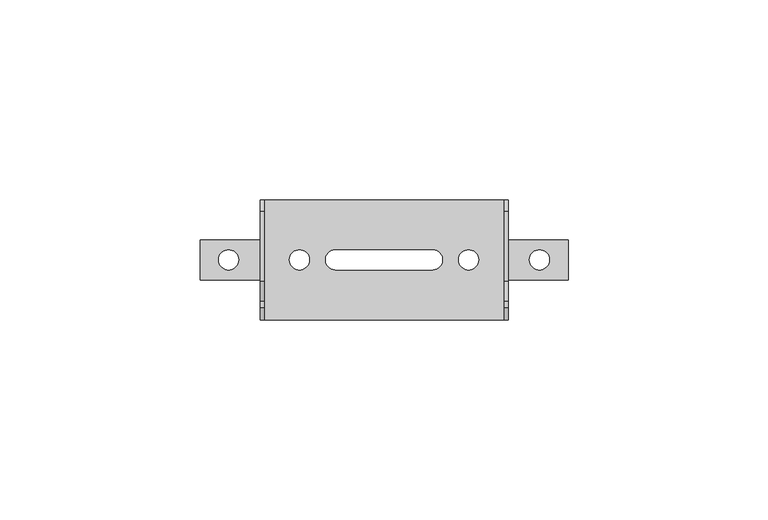
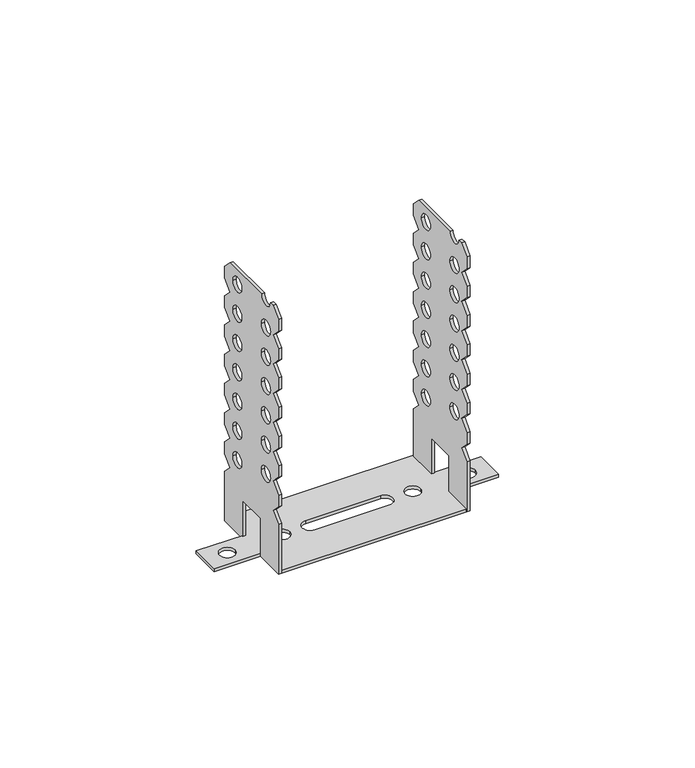
"""IFC4 building model written with IfcOpenShell, lengths in millimetres: proxy geometry."""

import ifcopenshell
import ifcopenshell.guid

model = None  # the IFC model being written
_history = None  # IfcOwnerHistory: only IFC2X3 demands one
_inside = {}  # id of a spatial element -> (the spatial element, [elements in it])
_under = {}  # id of a project, library or spatial element -> (it, [spatial elements below it])
_declared = {}  # id of a project -> (the project, [libraries it declares])
_typed = {}  # id of a type object -> (the type object, [elements of that type])
_made_of = {}  # id of a material, layer set ... -> (it, [elements and type objects made of it])


def new_model(schema):
    """Start an empty IFC model of exactly this schema.

    Asked for "IFC4X3", IfcOpenShell would pick the latest addendum, in which some entities
    have other attributes; the version numbers below select the first issue.
    IFC2X3 requires an IfcOwnerHistory on every rooted entity: one is made here for all.
    """
    global model, _history
    if schema == "IFC4X3":
        model = ifcopenshell.file(schema_version=(4, 3, 0, 0))
    else:
        model = ifcopenshell.file(schema=schema)
    _inside.clear()
    _under.clear()
    _declared.clear()
    _typed.clear()
    _made_of.clear()
    _history = None
    if model.schema == "IFC2X3":
        org = make("IfcOrganization", Name="unknown")
        user = make(
            "IfcPersonAndOrganization",
            ThePerson=make("IfcPerson", FamilyName="unknown"),
            TheOrganization=org,
        )
        app = make(
            "IfcApplication",
            ApplicationDeveloper=org,
            Version="unknown",
            ApplicationFullName="unknown",
            ApplicationIdentifier="unknown",
        )
        _history = make(
            "IfcOwnerHistory",
            OwningUser=user,
            OwningApplication=app,
            ChangeAction="ADDED",
            CreationDate=0,
        )
    return model


def make(cls, **values):
    """One entity of the class cls with the attributes given. An attribute that is None is left unset."""
    return model.create_entity(
        cls, **{name: value for name, value in values.items() if value is not None}
    )


def rooted(cls, **values):
    """An entity with a GlobalId (a new one), such as an element, a storey or a relation."""
    return make(cls, GlobalId=ifcopenshell.guid.new(), OwnerHistory=_history, **values)


def si_unit(unit_type, name, prefix=None):
    """IfcSIUnit, for example si_unit("LENGTHUNIT", "METRE", prefix="MILLI")."""
    return make("IfcSIUnit", UnitType=unit_type, Prefix=prefix, Name=name)


def assignment(units):
    """IfcUnitAssignment: the units of a project."""
    return None if units is None else make("IfcUnitAssignment", Units=units)


def point(xyz):
    """IfcCartesianPoint."""
    return None if xyz is None else make("IfcCartesianPoint", Coordinates=xyz)


def direction(xyz):
    """IfcDirection."""
    return None if xyz is None else make("IfcDirection", DirectionRatios=xyz)


def frame(location, z_axis=None, x_axis=None):
    """IfcAxis2Placement3D, a coordinate frame: its origin and axes. An axis left out is left unset."""
    return make(
        "IfcAxis2Placement3D",
        Location=point(location),
        Axis=direction(z_axis),
        RefDirection=direction(x_axis),
    )


def frame_2d(location, x_axis=None):
    """IfcAxis2Placement2D, a coordinate frame in the plane: its origin and x axis."""
    return make(
        "IfcAxis2Placement2D", Location=point(location), RefDirection=direction(x_axis)
    )


def origin():
    """The frame at (0, 0, 0) with its axes left unset."""
    return frame((0.0, 0.0, 0.0))


def origin_with_axes():
    """The frame at (0, 0, 0) with the z axis (0, 0, 1) and the x axis (1, 0, 0) written out."""
    return frame((0.0, 0.0, 0.0), z_axis=(0.0, 0.0, 1.0), x_axis=(1.0, 0.0, 0.0))


def place(relative_to, where):
    """IfcLocalPlacement: puts the frame where relative to a parent placement (None: the world)."""
    return make(
        "IfcLocalPlacement", PlacementRelTo=relative_to, RelativePlacement=where
    )


def context(
    kind, dimensions, precision=None, world=None, true_north=None, identifier=None
):
    """IfcGeometricRepresentationContext, for example the 3D "Model" context."""
    return make(
        "IfcGeometricRepresentationContext",
        ContextIdentifier=identifier,
        ContextType=kind,
        CoordinateSpaceDimension=dimensions,
        Precision=precision,
        WorldCoordinateSystem=world,
        TrueNorth=true_north,
    )


def project(units=None, contexts=None):
    """IfcProject with its units and contexts."""
    return rooted(
        "IfcProject",
        Name="project",
        RepresentationContexts=contexts,
        UnitsInContext=assignment(units),
    )


def spatial(cls, under=None, at=None, **own):
    """A site, building, storey or space (cls), placed at a placement, below another one or the project."""
    s = rooted(cls, ObjectPlacement=at, **own)
    if under is not None:
        _under.setdefault(under.id(), (under, []))[1].append(s)
    return s


def polyline(points):
    """IfcPolyline through the points."""
    return make("IfcPolyline", Points=[point(p) for p in points])


def circle_curve(where, radius):
    """IfcCircle in the frame where."""
    return make("IfcCircle", Position=where, Radius=radius)


def trimmed(basis, trim1, trim2, sense, master):
    """IfcTrimmedCurve: the piece of a basis curve between two trims."""
    return make(
        "IfcTrimmedCurve",
        BasisCurve=basis,
        Trim1=trim1,
        Trim2=trim2,
        SenseAgreement=sense,
        MasterRepresentation=master,
    )


def segment(curve, same_sense, transition):
    """IfcCompositeCurveSegment."""
    return make(
        "IfcCompositeCurveSegment",
        Transition=transition,
        SameSense=same_sense,
        ParentCurve=curve,
    )


def composite_curve(segments, self_intersect=None):
    """IfcCompositeCurve: segments joined end to end."""
    return make("IfcCompositeCurve", Segments=segments, SelfIntersect=self_intersect)


def outline(outer, holes=None, kind="AREA"):
    """IfcArbitraryClosedProfileDef: a profile drawn as a closed curve; with holes, ...WithVoids."""
    if holes is None:
        return make("IfcArbitraryClosedProfileDef", ProfileType=kind, OuterCurve=outer)
    return make(
        "IfcArbitraryProfileDefWithVoids",
        ProfileType=kind,
        OuterCurve=outer,
        InnerCurves=holes,
    )


def extrude(swept, where, along, depth):
    """IfcExtrudedAreaSolid: the profile swept, set in the frame where, extruded along a direction by depth."""
    return make(
        "IfcExtrudedAreaSolid",
        SweptArea=swept,
        Position=where,
        ExtrudedDirection=direction(along),
        Depth=depth,
    )


def shape(context_of_items, identifier, shape_type, items):
    """IfcShapeRepresentation: the items that make up one representation, for example the "Body"."""
    return make(
        "IfcShapeRepresentation",
        ContextOfItems=context_of_items,
        RepresentationIdentifier=identifier,
        RepresentationType=shape_type,
        Items=items,
    )


def source(mapping_origin, context_of_items, identifier, shape_type, items):
    """IfcRepresentationMap: a shape defined once, which mapped items show again and again."""
    return make(
        "IfcRepresentationMap",
        MappingOrigin=mapping_origin,
        MappedRepresentation=shape(context_of_items, identifier, shape_type, items),
    )


def transform(
    local_origin,
    x_axis=None,
    y_axis=None,
    z_axis=None,
    scale=None,
    scale2=None,
    scale3=None,
    uniform=True,
):
    """IfcCartesianTransformationOperator3D, or its non-uniform kind. x_axis, y_axis, z_axis: its Axis1, 2, 3."""
    if uniform:
        return make(
            "IfcCartesianTransformationOperator3D",
            Axis1=direction(x_axis),
            Axis2=direction(y_axis),
            LocalOrigin=point(local_origin),
            Scale=scale,
            Axis3=direction(z_axis),
        )
    return make(
        "IfcCartesianTransformationOperator3DnonUniform",
        Axis1=direction(x_axis),
        Axis2=direction(y_axis),
        LocalOrigin=point(local_origin),
        Scale=scale,
        Axis3=direction(z_axis),
        Scale2=scale2,
        Scale3=scale3,
    )


def mapped(mapping_source, mapping_target):
    """IfcMappedItem: shows the shape of a source again, moved by a transform."""
    return make(
        "IfcMappedItem", MappingSource=mapping_source, MappingTarget=mapping_target
    )


def made_of(thing, what):
    """Note that an element or type object is made of a material, layer set ...; save() writes the relation."""
    if what is not None:
        _made_of.setdefault(what.id(), (what, []))[1].append(thing)
    return thing


def element(
    cls,
    number,
    at=None,
    inside=None,
    cuts=None,
    type_object=None,
    material=None,
    context=None,
    identifier="Body",
    shape_type=None,
    held_by="IfcProductDefinitionShape",
    body=None,
    shapes=None,
    **own,
):
    """One element of the class cls, such as IfcWall. Its Tag is "e" and its number.

    at: its placement. inside: the storey or other place that contains it. cuts: it is an
    opening in that element (IfcRelVoidsElement). A single representation is given by context,
    identifier, shape_type and body (its items); several are given by shapes. held_by: the class
    of the entity that holds the representations. save() writes the other relations.
    """
    e = rooted(cls, Tag="e%d" % number, ObjectPlacement=at, **own)
    if body is not None:
        shapes = [shape(context, identifier, shape_type, body)]
    if shapes is not None:
        e.Representation = make(held_by, Representations=shapes)
    if inside is not None:
        _inside.setdefault(inside.id(), (inside, []))[1].append(e)
    if cuts is not None:
        rooted(
            "IfcRelVoidsElement", RelatingBuildingElement=cuts, RelatedOpeningElement=e
        )
    if type_object is not None:
        _typed.setdefault(type_object.id(), (type_object, []))[1].append(e)
    return made_of(e, material)


def aggregate(whole, parts):
    """IfcRelAggregates: a whole, such as a stair, and the parts it consists of."""
    return rooted("IfcRelAggregates", RelatingObject=whole, RelatedObjects=parts)


def save(model, path):
    """Write the relations noted so far, then the file.

    IfcRelAggregates (storeys below a building ...), IfcRelContainedInSpatialStructure (elements
    in a storey), IfcRelDefinesByType, IfcRelAssociatesMaterial and IfcRelDeclares: one each for
    every whole, place, type object, material and project.
    """
    for whole, parts in _under.values():
        aggregate(whole, parts)
    for where, things in _inside.values():
        rooted(
            "IfcRelContainedInSpatialStructure",
            RelatedElements=things,
            RelatingStructure=where,
        )
    for kind, things in _typed.values():
        rooted("IfcRelDefinesByType", RelatedObjects=things, RelatingType=kind)
    for what, things in _made_of.values():
        rooted("IfcRelAssociatesMaterial", RelatedObjects=things, RelatingMaterial=what)
    for by, libraries in _declared.values():
        rooted("IfcRelDeclares", RelatingContext=by, RelatedDefinitions=libraries)
    model.write(path)


def generic_models_f118c592(model_context):
    return source(origin(), model_context, "Body", "SweptSolid", [
        extrude(outline(composite_curve([segment(polyline([(5.0, 0.0), (5.0, 13.0), (-5.0, 13.0), (-5.0, 0.0), (-15.0, 0.0), (-15.0, 17.0), (-12.0, 20.0), (-15.0, 23.0), (-15.0, 27.0), (-12.0, 30.0), (-15.0, 33.0), (-15.0, 37.0), (-12.0, 40.0), (-15.0, 43.0), (-15.0, 47.0), (-12.0, 50.0), (-15.0, 53.0), (-15.0, 57.0), (-12.0, 60.0), (-15.0, 63.0), (-15.0, 67.0), (-12.0, 70.0), (-15.0, 73.0), (-15.0, 77.0), (-12.0, 80.0), (-15.0, 83.0), (-15.0, 87.0), (-12.0, 90.0), (-10.5, 90.0)]), True, "CONTINUOUS"), segment(trimmed(circle_curve(frame_2d((-8.0, 90.0)), 2.5), [point((-10.5, 90.0))], [point((-5.5, 90.0))], True, "CARTESIAN"), True, "CONTINUOUS"), segment(polyline([(-5.5, 90.0), (12.0, 90.0), (15.0, 87.0), (15.0, 83.0), (12.0, 80.0), (15.0, 77.0), (15.0, 73.0), (12.0, 70.0), (15.0, 67.0), (15.0, 63.0), (12.0, 60.0), (15.0, 57.0), (15.0, 53.0), (12.0, 50.0), (15.0, 47.0), (15.0, 43.0), (12.0, 40.0), (15.0, 37.0), (15.0, 33.0), (12.0, 30.0), (15.0, 27.0), (15.0, 23.0), (12.0, 20.0), (15.0, 17.0), (15.0, 0.0), (5.0, 0.0)]), True, "CONTINUOUS")], self_intersect=False), holes=[composite_curve([segment(trimmed(circle_curve(frame_2d((-8.0, 70.0)), 2.5), [point((-10.5, 70.0))], [point((-5.5, 70.0))], True, "CARTESIAN"), True, "CONTINUOUS"), segment(trimmed(circle_curve(frame_2d((-8.0, 70.0)), 2.5), [point((-5.5, 70.0))], [point((-10.5, 70.0))], True, "CARTESIAN"), True, "CONTINUOUS")], self_intersect=False), composite_curve([segment(trimmed(circle_curve(frame_2d((8.0, 25.0)), 2.5), [point((10.5, 25.0))], [point((5.5, 25.0))], True, "CARTESIAN"), True, "CONTINUOUS"), segment(trimmed(circle_curve(frame_2d((8.0, 25.0)), 2.5), [point((5.5, 25.0))], [point((10.5, 25.0))], True, "CARTESIAN"), True, "CONTINUOUS")], self_intersect=False), composite_curve([segment(trimmed(circle_curve(frame_2d((-8.0, 30.0)), 2.5), [point((-10.5, 30.0))], [point((-5.5, 30.0))], True, "CARTESIAN"), True, "CONTINUOUS"), segment(trimmed(circle_curve(frame_2d((-8.0, 30.0)), 2.5), [point((-5.5, 30.0))], [point((-10.5, 30.0))], True, "CARTESIAN"), True, "CONTINUOUS")], self_intersect=False), composite_curve([segment(trimmed(circle_curve(frame_2d((8.0, 35.0)), 2.5), [point((10.5, 35.0))], [point((5.5, 35.0))], True, "CARTESIAN"), True, "CONTINUOUS"), segment(trimmed(circle_curve(frame_2d((8.0, 35.0)), 2.5), [point((5.5, 35.0))], [point((10.5, 35.0))], True, "CARTESIAN"), True, "CONTINUOUS")], self_intersect=False), composite_curve([segment(trimmed(circle_curve(frame_2d((-8.0, 40.0)), 2.5), [point((-10.5, 40.0))], [point((-5.5, 40.0))], True, "CARTESIAN"), True, "CONTINUOUS"), segment(trimmed(circle_curve(frame_2d((-8.0, 40.0)), 2.5), [point((-5.5, 40.0))], [point((-10.5, 40.0))], True, "CARTESIAN"), True, "CONTINUOUS")], self_intersect=False), composite_curve([segment(trimmed(circle_curve(frame_2d((8.0, 45.0)), 2.5), [point((10.5, 45.0))], [point((5.5, 45.0))], True, "CARTESIAN"), True, "CONTINUOUS"), segment(trimmed(circle_curve(frame_2d((8.0, 45.0)), 2.5), [point((5.5, 45.0))], [point((10.5, 45.0))], True, "CARTESIAN"), True, "CONTINUOUS")], self_intersect=False), composite_curve([segment(trimmed(circle_curve(frame_2d((-8.0, 50.0)), 2.5), [point((-10.5, 50.0))], [point((-5.5, 50.0))], True, "CARTESIAN"), True, "CONTINUOUS"), segment(trimmed(circle_curve(frame_2d((-8.0, 50.0)), 2.5), [point((-5.5, 50.0))], [point((-10.5, 50.0))], True, "CARTESIAN"), True, "CONTINUOUS")], self_intersect=False), composite_curve([segment(trimmed(circle_curve(frame_2d((8.0, 55.0)), 2.5), [point((10.5, 55.0))], [point((5.5, 55.0))], True, "CARTESIAN"), True, "CONTINUOUS"), segment(trimmed(circle_curve(frame_2d((8.0, 55.0)), 2.5), [point((5.5, 55.0))], [point((10.5, 55.0))], True, "CARTESIAN"), True, "CONTINUOUS")], self_intersect=False), composite_curve([segment(trimmed(circle_curve(frame_2d((-8.0, 60.0)), 2.5), [point((-10.5, 60.0))], [point((-5.5, 60.0))], True, "CARTESIAN"), True, "CONTINUOUS"), segment(trimmed(circle_curve(frame_2d((-8.0, 60.0)), 2.5), [point((-5.5, 60.0))], [point((-10.5, 60.0))], True, "CARTESIAN"), True, "CONTINUOUS")], self_intersect=False), composite_curve([segment(trimmed(circle_curve(frame_2d((8.0, 65.0)), 2.5), [point((10.5, 65.0))], [point((5.5, 65.0))], True, "CARTESIAN"), True, "CONTINUOUS"), segment(trimmed(circle_curve(frame_2d((8.0, 65.0)), 2.5), [point((5.5, 65.0))], [point((10.5, 65.0))], True, "CARTESIAN"), True, "CONTINUOUS")], self_intersect=False), composite_curve([segment(trimmed(circle_curve(frame_2d((8.0, 75.0)), 2.5), [point((10.5, 75.0))], [point((5.5, 75.0))], True, "CARTESIAN"), True, "CONTINUOUS"), segment(trimmed(circle_curve(frame_2d((8.0, 75.0)), 2.5), [point((5.5, 75.0))], [point((10.5, 75.0))], True, "CARTESIAN"), True, "CONTINUOUS")], self_intersect=False), composite_curve([segment(trimmed(circle_curve(frame_2d((-8.0, 80.0)), 2.5), [point((-10.5, 80.0))], [point((-5.5, 80.0))], True, "CARTESIAN"), True, "CONTINUOUS"), segment(trimmed(circle_curve(frame_2d((-8.0, 80.0)), 2.5), [point((-5.5, 80.0))], [point((-10.5, 80.0))], True, "CARTESIAN"), True, "CONTINUOUS")], self_intersect=False), composite_curve([segment(trimmed(circle_curve(frame_2d((8.0, 85.0)), 2.5), [point((10.5, 85.0))], [point((5.5, 85.0))], True, "CARTESIAN"), True, "CONTINUOUS"), segment(trimmed(circle_curve(frame_2d((8.0, 85.0)), 2.5), [point((5.5, 85.0))], [point((10.5, 85.0))], True, "CARTESIAN"), True, "CONTINUOUS")], self_intersect=False)]), frame((30.0, 0.0, 0.0), z_axis=(1.0, 0.0, 0.0), x_axis=(0.0, 1.0, 0.0)), (0.0, 0.0, 1.0), 1.0),
        extrude(outline(composite_curve([segment(polyline([(5.0, 0.0), (5.0, 13.0), (-5.0, 13.0), (-5.0, 0.0), (-15.0, 0.0), (-15.0, 17.0), (-12.0, 20.0), (-15.0, 23.0), (-15.0, 27.0), (-12.0, 30.0), (-15.0, 33.0), (-15.0, 37.0), (-12.0, 40.0), (-15.0, 43.0), (-15.0, 47.0), (-12.0, 50.0), (-15.0, 53.0), (-15.0, 57.0), (-12.0, 60.0), (-15.0, 63.0), (-15.0, 67.0), (-12.0, 70.0), (-15.0, 73.0), (-15.0, 77.0), (-12.0, 80.0), (-15.0, 83.0), (-15.0, 87.0), (-12.0, 90.0), (-10.5, 90.0)]), True, "CONTINUOUS"), segment(trimmed(circle_curve(frame_2d((-8.0, 90.0)), 2.5), [point((-10.5, 90.0))], [point((-5.5, 90.0))], True, "CARTESIAN"), True, "CONTINUOUS"), segment(polyline([(-5.5, 90.0), (12.0, 90.0), (15.0, 87.0), (15.0, 83.0), (12.0, 80.0), (15.0, 77.0), (15.0, 73.0), (12.0, 70.0), (15.0, 67.0), (15.0, 63.0), (12.0, 60.0), (15.0, 57.0), (15.0, 53.0), (12.0, 50.0), (15.0, 47.0), (15.0, 43.0), (12.0, 40.0), (15.0, 37.0), (15.0, 33.0), (12.0, 30.0), (15.0, 27.0), (15.0, 23.0), (12.0, 20.0), (15.0, 17.0), (15.0, 0.0), (5.0, 0.0)]), True, "CONTINUOUS")], self_intersect=False), holes=[composite_curve([segment(trimmed(circle_curve(frame_2d((-8.0, 70.0)), 2.5), [point((-10.5, 70.0))], [point((-5.5, 70.0))], True, "CARTESIAN"), True, "CONTINUOUS"), segment(trimmed(circle_curve(frame_2d((-8.0, 70.0)), 2.5), [point((-5.5, 70.0))], [point((-10.5, 70.0))], True, "CARTESIAN"), True, "CONTINUOUS")], self_intersect=False), composite_curve([segment(trimmed(circle_curve(frame_2d((8.0, 25.0)), 2.5), [point((10.5, 25.0))], [point((5.5, 25.0))], True, "CARTESIAN"), True, "CONTINUOUS"), segment(trimmed(circle_curve(frame_2d((8.0, 25.0)), 2.5), [point((5.5, 25.0))], [point((10.5, 25.0))], True, "CARTESIAN"), True, "CONTINUOUS")], self_intersect=False), composite_curve([segment(trimmed(circle_curve(frame_2d((-8.0, 30.0)), 2.5), [point((-10.5, 30.0))], [point((-5.5, 30.0))], True, "CARTESIAN"), True, "CONTINUOUS"), segment(trimmed(circle_curve(frame_2d((-8.0, 30.0)), 2.5), [point((-5.5, 30.0))], [point((-10.5, 30.0))], True, "CARTESIAN"), True, "CONTINUOUS")], self_intersect=False), composite_curve([segment(trimmed(circle_curve(frame_2d((8.0, 35.0)), 2.5), [point((10.5, 35.0))], [point((5.5, 35.0))], True, "CARTESIAN"), True, "CONTINUOUS"), segment(trimmed(circle_curve(frame_2d((8.0, 35.0)), 2.5), [point((5.5, 35.0))], [point((10.5, 35.0))], True, "CARTESIAN"), True, "CONTINUOUS")], self_intersect=False), composite_curve([segment(trimmed(circle_curve(frame_2d((-8.0, 40.0)), 2.5), [point((-10.5, 40.0))], [point((-5.5, 40.0))], True, "CARTESIAN"), True, "CONTINUOUS"), segment(trimmed(circle_curve(frame_2d((-8.0, 40.0)), 2.5), [point((-5.5, 40.0))], [point((-10.5, 40.0))], True, "CARTESIAN"), True, "CONTINUOUS")], self_intersect=False), composite_curve([segment(trimmed(circle_curve(frame_2d((8.0, 45.0)), 2.5), [point((10.5, 45.0))], [point((5.5, 45.0))], True, "CARTESIAN"), True, "CONTINUOUS"), segment(trimmed(circle_curve(frame_2d((8.0, 45.0)), 2.5), [point((5.5, 45.0))], [point((10.5, 45.0))], True, "CARTESIAN"), True, "CONTINUOUS")], self_intersect=False), composite_curve([segment(trimmed(circle_curve(frame_2d((-8.0, 50.0)), 2.5), [point((-10.5, 50.0))], [point((-5.5, 50.0))], True, "CARTESIAN"), True, "CONTINUOUS"), segment(trimmed(circle_curve(frame_2d((-8.0, 50.0)), 2.5), [point((-5.5, 50.0))], [point((-10.5, 50.0))], True, "CARTESIAN"), True, "CONTINUOUS")], self_intersect=False), composite_curve([segment(trimmed(circle_curve(frame_2d((8.0, 55.0)), 2.5), [point((10.5, 55.0))], [point((5.5, 55.0))], True, "CARTESIAN"), True, "CONTINUOUS"), segment(trimmed(circle_curve(frame_2d((8.0, 55.0)), 2.5), [point((5.5, 55.0))], [point((10.5, 55.0))], True, "CARTESIAN"), True, "CONTINUOUS")], self_intersect=False), composite_curve([segment(trimmed(circle_curve(frame_2d((-8.0, 60.0)), 2.5), [point((-10.5, 60.0))], [point((-5.5, 60.0))], True, "CARTESIAN"), True, "CONTINUOUS"), segment(trimmed(circle_curve(frame_2d((-8.0, 60.0)), 2.5), [point((-5.5, 60.0))], [point((-10.5, 60.0))], True, "CARTESIAN"), True, "CONTINUOUS")], self_intersect=False), composite_curve([segment(trimmed(circle_curve(frame_2d((8.0, 65.0)), 2.5), [point((10.5, 65.0))], [point((5.5, 65.0))], True, "CARTESIAN"), True, "CONTINUOUS"), segment(trimmed(circle_curve(frame_2d((8.0, 65.0)), 2.5), [point((5.5, 65.0))], [point((10.5, 65.0))], True, "CARTESIAN"), True, "CONTINUOUS")], self_intersect=False), composite_curve([segment(trimmed(circle_curve(frame_2d((8.0, 75.0)), 2.5), [point((10.5, 75.0))], [point((5.5, 75.0))], True, "CARTESIAN"), True, "CONTINUOUS"), segment(trimmed(circle_curve(frame_2d((8.0, 75.0)), 2.5), [point((5.5, 75.0))], [point((10.5, 75.0))], True, "CARTESIAN"), True, "CONTINUOUS")], self_intersect=False), composite_curve([segment(trimmed(circle_curve(frame_2d((-8.0, 80.0)), 2.5), [point((-10.5, 80.0))], [point((-5.5, 80.0))], True, "CARTESIAN"), True, "CONTINUOUS"), segment(trimmed(circle_curve(frame_2d((-8.0, 80.0)), 2.5), [point((-5.5, 80.0))], [point((-10.5, 80.0))], True, "CARTESIAN"), True, "CONTINUOUS")], self_intersect=False), composite_curve([segment(trimmed(circle_curve(frame_2d((8.0, 85.0)), 2.5), [point((10.5, 85.0))], [point((5.5, 85.0))], True, "CARTESIAN"), True, "CONTINUOUS"), segment(trimmed(circle_curve(frame_2d((8.0, 85.0)), 2.5), [point((5.5, 85.0))], [point((10.5, 85.0))], True, "CARTESIAN"), True, "CONTINUOUS")], self_intersect=False)]), frame((-31.0, 0.0, 0.0), z_axis=(1.0, 0.0, 0.0), x_axis=(0.0, 1.0, 0.0)), (0.0, 0.0, 1.0), 1.0),
        extrude(outline(polyline([(30.0, 15.0), (30.0, 5.0), (46.0, 5.0), (46.0, -5.0), (30.0, -5.0), (30.0, -15.0), (-30.0, -15.0), (-30.0, -5.0), (-46.0, -5.0), (-46.0, 5.0), (-30.0, 5.0), (-30.0, 15.0), (30.0, 15.0)]), holes=[composite_curve([segment(trimmed(circle_curve(frame_2d((-38.8683525, 0.0)), 2.5), [point((-41.3683525, 0.0))], [point((-36.3683525, 0.0))], True, "CARTESIAN"), True, "CONTINUOUS"), segment(trimmed(circle_curve(frame_2d((-38.8683525, 0.0)), 2.5), [point((-36.3683525, 0.0))], [point((-41.3683525, 0.0))], True, "CARTESIAN"), True, "CONTINUOUS")], self_intersect=False), composite_curve([segment(trimmed(circle_curve(frame_2d((38.8683525, 0.0)), 2.5), [point((41.3683525, 0.0))], [point((36.3683525, 0.0))], True, "CARTESIAN"), True, "CONTINUOUS"), segment(trimmed(circle_curve(frame_2d((38.8683525, 0.0)), 2.5), [point((36.3683525, 0.0))], [point((41.3683525, 0.0))], True, "CARTESIAN"), True, "CONTINUOUS")], self_intersect=False), composite_curve([segment(trimmed(circle_curve(frame_2d((-21.1316475, 0.0)), 2.5), [point((-18.6316475, 0.0))], [point((-23.6316475, 0.0))], True, "CARTESIAN"), True, "CONTINUOUS"), segment(trimmed(circle_curve(frame_2d((-21.1316475, 0.0)), 2.5), [point((-23.6316475, 0.0))], [point((-18.6316475, 0.0))], True, "CARTESIAN"), True, "CONTINUOUS")], self_intersect=False), composite_curve([segment(polyline([(-12.1316475, -2.5), (12.1316475, -2.5)]), True, "CONTINUOUS"), segment(trimmed(circle_curve(frame_2d((12.1316475, 0.0)), 2.5), [point((12.1316475, -2.5))], [point((12.1316475, 2.5))], True, "CARTESIAN"), True, "CONTINUOUS"), segment(polyline([(12.1316475, 2.5), (-12.1316475, 2.5)]), True, "CONTINUOUS"), segment(trimmed(circle_curve(frame_2d((-12.1316475, 0.0)), 2.5), [point((-12.1316475, 2.5))], [point((-12.1316475, -2.5))], True, "CARTESIAN"), True, "CONTINUOUS")], self_intersect=False), composite_curve([segment(trimmed(circle_curve(frame_2d((21.1316475, 0.0)), 2.5), [point((18.6316475, 0.0))], [point((23.6316475, 0.0))], True, "CARTESIAN"), True, "CONTINUOUS"), segment(trimmed(circle_curve(frame_2d((21.1316475, 0.0)), 2.5), [point((23.6316475, 0.0))], [point((18.6316475, 0.0))], True, "CARTESIAN"), True, "CONTINUOUS")], self_intersect=False)]), origin_with_axes(), (0.0, 0.0, 1.0), 1.0),
    ])


if __name__ == "__main__":
    model = new_model("IFC4")
    model_context = context("Model", 3, world=origin())
    ifc_project = project(units=[si_unit("LENGTHUNIT", "METRE", prefix="MILLI")], contexts=[model_context])
    site = spatial("IfcSite", under=ifc_project)
    building = spatial("IfcBuilding", under=site)
    placement = place(None, origin())
    generic_models_shape = generic_models_f118c592(model_context)
    element("IfcBuildingElementProxy", 1, Name="Generic Models", at=placement, inside=building, context=model_context, shape_type="MappedRepresentation", body=[
        mapped(generic_models_shape, transform((0.0, 0.0, 0.0), x_axis=(1.0, 0.0, 0.0), y_axis=(0.0, 1.0, 0.0), z_axis=(0.0, 0.0, 1.0))),
    ])
    save(model, "model.ifc")
